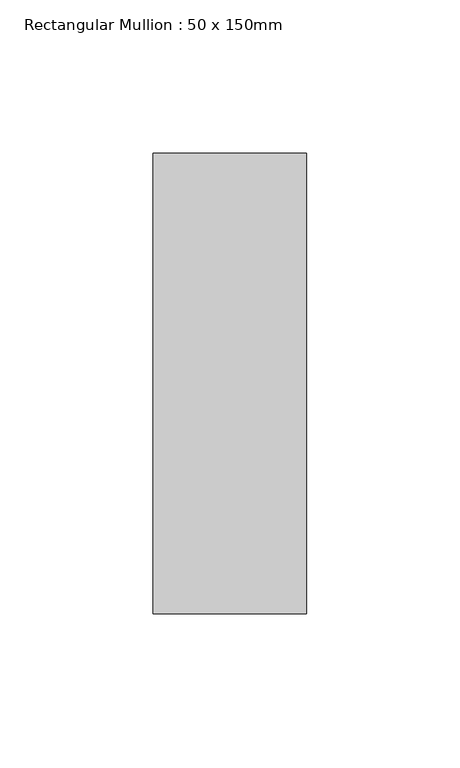
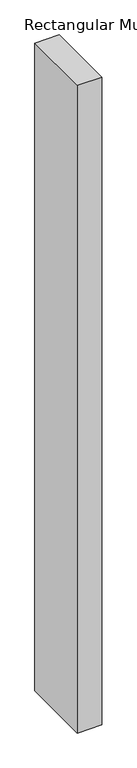
"""IFC4 building model written with IfcOpenShell, lengths in millimetres: member geometry, Rectangular Mullion : 50 x 150mm."""

from ifc_helpers import new_model, si_unit, frame, origin, place, context, project, spatial, polyline, outline, extrude, source, transform, mapped, element, save


def rectangular_mullion_50_x_150mm_323a7ce7(model_context):
    return source(origin(), model_context, "Body", "SweptSolid", [
        extrude(outline(polyline([(0.0, 75.0), (0.0, -75.0), (-50.0, -75.0), (-50.0, 75.0), (0.0, 75.0)])), frame((0.0, 0.0, -1398.6842105), z_axis=(0.0, 0.0, 1.0), x_axis=(1.0, 0.0, 0.0)), (0.0, 0.0, 1.0), 1398.6842105),
    ])


if __name__ == "__main__":
    model = new_model("IFC4")
    model_context = context("Model", 3, world=origin())
    ifc_project = project(units=[si_unit("LENGTHUNIT", "METRE", prefix="MILLI")], contexts=[model_context])
    site = spatial("IfcSite", under=ifc_project)
    building = spatial("IfcBuilding", under=site)
    placement = place(None, origin())
    rectangular_mullion_50_x_150mm_shape = rectangular_mullion_50_x_150mm_323a7ce7(model_context)
    element("IfcMember", 1, ObjectType="Rectangular Mullion : 50 x 150mm", at=placement, inside=building, context=model_context, shape_type="MappedRepresentation", body=[
        mapped(rectangular_mullion_50_x_150mm_shape, transform((0.0, 0.0, 0.0), x_axis=(1.0, 0.0, 0.0), y_axis=(0.0, 1.0, 0.0), z_axis=(0.0, 0.0, 1.0))),
    ])
    save(model, "model.ifc")
